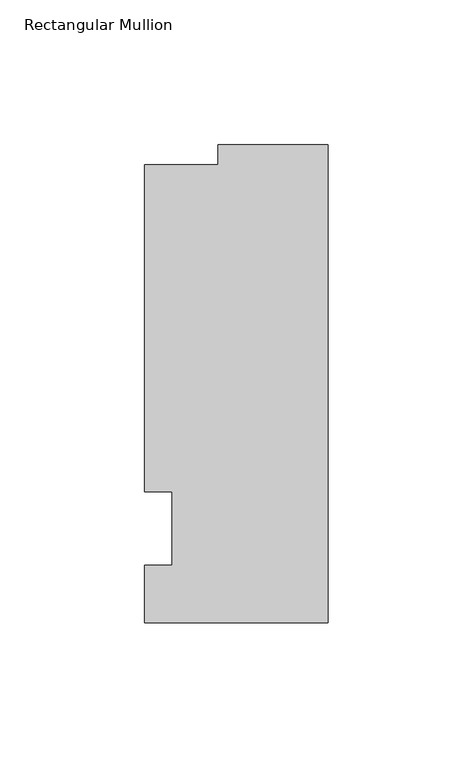
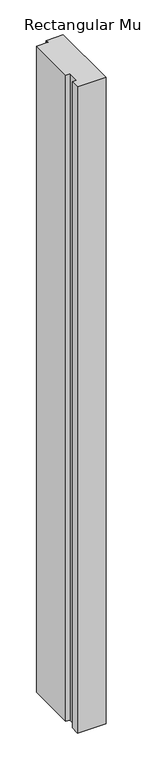
"""IFC4 building model written with IfcOpenShell, lengths in millimetres: member geometry, Rectangular Mullion."""

from ifc_helpers import new_model, si_unit, frame, origin, place, context, project, spatial, polyline, outline, extrude, source, transform, mapped, element, save


def rectangular_mullion_07975d76(model_context):
    return source(origin(), model_context, "Body", "SweptSolid", [
        extrude(outline(polyline([(-63.5, -32.54375), (-63.5, -12.7), (-53.975, -12.7), (-53.975, 12.7), (-63.5, 12.7), (-63.5, 125.59665), (-38.1, 125.59665), (-38.1, 132.55625), (0.0, 132.55625), (0.0, -32.54375), (-63.5, -32.54375)])), frame((0.0, 0.0, -1524.0), z_axis=(0.0, 0.0, 1.0), x_axis=(1.0, 0.0, 0.0)), (0.0, 0.0, 1.0), 1524.0),
    ])


if __name__ == "__main__":
    model = new_model("IFC4")
    model_context = context("Model", 3, world=origin())
    ifc_project = project(units=[si_unit("LENGTHUNIT", "METRE", prefix="MILLI")], contexts=[model_context])
    site = spatial("IfcSite", under=ifc_project)
    building = spatial("IfcBuilding", under=site)
    placement = place(None, origin())
    rectangular_mullion_shape = rectangular_mullion_07975d76(model_context)
    element("IfcMember", 1, ObjectType="Rectangular Mullion", at=placement, inside=building, context=model_context, shape_type="MappedRepresentation", body=[
        mapped(rectangular_mullion_shape, transform((0.0, 0.0, 0.0), x_axis=(1.0, 0.0, 0.0), y_axis=(0.0, 1.0, 0.0), z_axis=(0.0, 0.0, 1.0))),
    ])
    save(model, "model.ifc")
